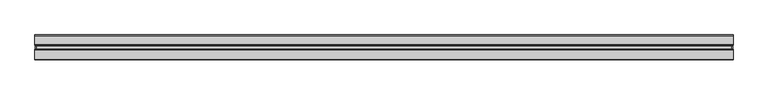
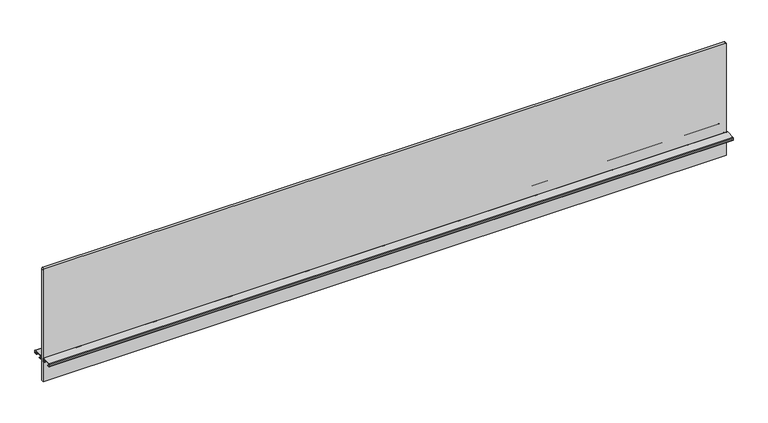
"""IFC4 building model written with IfcOpenShell, lengths in millimetres: furniture geometry."""

import ifcopenshell
import ifcopenshell.guid

model = None  # the IFC model being written
_history = None  # IfcOwnerHistory: only IFC2X3 demands one
_inside = {}  # id of a spatial element -> (the spatial element, [elements in it])
_under = {}  # id of a project, library or spatial element -> (it, [spatial elements below it])
_declared = {}  # id of a project -> (the project, [libraries it declares])
_typed = {}  # id of a type object -> (the type object, [elements of that type])
_made_of = {}  # id of a material, layer set ... -> (it, [elements and type objects made of it])


def new_model(schema):
    """Start an empty IFC model of exactly this schema.

    Asked for "IFC4X3", IfcOpenShell would pick the latest addendum, in which some entities
    have other attributes; the version numbers below select the first issue.
    IFC2X3 requires an IfcOwnerHistory on every rooted entity: one is made here for all.
    """
    global model, _history
    if schema == "IFC4X3":
        model = ifcopenshell.file(schema_version=(4, 3, 0, 0))
    else:
        model = ifcopenshell.file(schema=schema)
    _inside.clear()
    _under.clear()
    _declared.clear()
    _typed.clear()
    _made_of.clear()
    _history = None
    if model.schema == "IFC2X3":
        org = make("IfcOrganization", Name="unknown")
        user = make(
            "IfcPersonAndOrganization",
            ThePerson=make("IfcPerson", FamilyName="unknown"),
            TheOrganization=org,
        )
        app = make(
            "IfcApplication",
            ApplicationDeveloper=org,
            Version="unknown",
            ApplicationFullName="unknown",
            ApplicationIdentifier="unknown",
        )
        _history = make(
            "IfcOwnerHistory",
            OwningUser=user,
            OwningApplication=app,
            ChangeAction="ADDED",
            CreationDate=0,
        )
    return model


def make(cls, **values):
    """One entity of the class cls with the attributes given. An attribute that is None is left unset."""
    return model.create_entity(
        cls, **{name: value for name, value in values.items() if value is not None}
    )


def rooted(cls, **values):
    """An entity with a GlobalId (a new one), such as an element, a storey or a relation."""
    return make(cls, GlobalId=ifcopenshell.guid.new(), OwnerHistory=_history, **values)


def si_unit(unit_type, name, prefix=None):
    """IfcSIUnit, for example si_unit("LENGTHUNIT", "METRE", prefix="MILLI")."""
    return make("IfcSIUnit", UnitType=unit_type, Prefix=prefix, Name=name)


def assignment(units):
    """IfcUnitAssignment: the units of a project."""
    return None if units is None else make("IfcUnitAssignment", Units=units)


def point(xyz):
    """IfcCartesianPoint."""
    return None if xyz is None else make("IfcCartesianPoint", Coordinates=xyz)


def direction(xyz):
    """IfcDirection."""
    return None if xyz is None else make("IfcDirection", DirectionRatios=xyz)


def frame(location, z_axis=None, x_axis=None):
    """IfcAxis2Placement3D, a coordinate frame: its origin and axes. An axis left out is left unset."""
    return make(
        "IfcAxis2Placement3D",
        Location=point(location),
        Axis=direction(z_axis),
        RefDirection=direction(x_axis),
    )


def frame_2d(location, x_axis=None):
    """IfcAxis2Placement2D, a coordinate frame in the plane: its origin and x axis."""
    return make(
        "IfcAxis2Placement2D", Location=point(location), RefDirection=direction(x_axis)
    )


def origin():
    """The frame at (0, 0, 0) with its axes left unset."""
    return frame((0.0, 0.0, 0.0))


def place(relative_to, where):
    """IfcLocalPlacement: puts the frame where relative to a parent placement (None: the world)."""
    return make(
        "IfcLocalPlacement", PlacementRelTo=relative_to, RelativePlacement=where
    )


def context(
    kind, dimensions, precision=None, world=None, true_north=None, identifier=None
):
    """IfcGeometricRepresentationContext, for example the 3D "Model" context."""
    return make(
        "IfcGeometricRepresentationContext",
        ContextIdentifier=identifier,
        ContextType=kind,
        CoordinateSpaceDimension=dimensions,
        Precision=precision,
        WorldCoordinateSystem=world,
        TrueNorth=true_north,
    )


def project(units=None, contexts=None):
    """IfcProject with its units and contexts."""
    return rooted(
        "IfcProject",
        Name="project",
        RepresentationContexts=contexts,
        UnitsInContext=assignment(units),
    )


def spatial(cls, under=None, at=None, **own):
    """A site, building, storey or space (cls), placed at a placement, below another one or the project."""
    s = rooted(cls, ObjectPlacement=at, **own)
    if under is not None:
        _under.setdefault(under.id(), (under, []))[1].append(s)
    return s


def polyline(points):
    """IfcPolyline through the points."""
    return make("IfcPolyline", Points=[point(p) for p in points])


def circle_curve(where, radius):
    """IfcCircle in the frame where."""
    return make("IfcCircle", Position=where, Radius=radius)


def trimmed(basis, trim1, trim2, sense, master):
    """IfcTrimmedCurve: the piece of a basis curve between two trims."""
    return make(
        "IfcTrimmedCurve",
        BasisCurve=basis,
        Trim1=trim1,
        Trim2=trim2,
        SenseAgreement=sense,
        MasterRepresentation=master,
    )


def segment(curve, same_sense, transition):
    """IfcCompositeCurveSegment."""
    return make(
        "IfcCompositeCurveSegment",
        Transition=transition,
        SameSense=same_sense,
        ParentCurve=curve,
    )


def composite_curve(segments, self_intersect=None):
    """IfcCompositeCurve: segments joined end to end."""
    return make("IfcCompositeCurve", Segments=segments, SelfIntersect=self_intersect)


def outline(outer, holes=None, kind="AREA"):
    """IfcArbitraryClosedProfileDef: a profile drawn as a closed curve; with holes, ...WithVoids."""
    if holes is None:
        return make("IfcArbitraryClosedProfileDef", ProfileType=kind, OuterCurve=outer)
    return make(
        "IfcArbitraryProfileDefWithVoids",
        ProfileType=kind,
        OuterCurve=outer,
        InnerCurves=holes,
    )


def extrude(swept, where, along, depth):
    """IfcExtrudedAreaSolid: the profile swept, set in the frame where, extruded along a direction by depth."""
    return make(
        "IfcExtrudedAreaSolid",
        SweptArea=swept,
        Position=where,
        ExtrudedDirection=direction(along),
        Depth=depth,
    )


def shape(context_of_items, identifier, shape_type, items):
    """IfcShapeRepresentation: the items that make up one representation, for example the "Body"."""
    return make(
        "IfcShapeRepresentation",
        ContextOfItems=context_of_items,
        RepresentationIdentifier=identifier,
        RepresentationType=shape_type,
        Items=items,
    )


def source(mapping_origin, context_of_items, identifier, shape_type, items):
    """IfcRepresentationMap: a shape defined once, which mapped items show again and again."""
    return make(
        "IfcRepresentationMap",
        MappingOrigin=mapping_origin,
        MappedRepresentation=shape(context_of_items, identifier, shape_type, items),
    )


def transform(
    local_origin,
    x_axis=None,
    y_axis=None,
    z_axis=None,
    scale=None,
    scale2=None,
    scale3=None,
    uniform=True,
):
    """IfcCartesianTransformationOperator3D, or its non-uniform kind. x_axis, y_axis, z_axis: its Axis1, 2, 3."""
    if uniform:
        return make(
            "IfcCartesianTransformationOperator3D",
            Axis1=direction(x_axis),
            Axis2=direction(y_axis),
            LocalOrigin=point(local_origin),
            Scale=scale,
            Axis3=direction(z_axis),
        )
    return make(
        "IfcCartesianTransformationOperator3DnonUniform",
        Axis1=direction(x_axis),
        Axis2=direction(y_axis),
        LocalOrigin=point(local_origin),
        Scale=scale,
        Axis3=direction(z_axis),
        Scale2=scale2,
        Scale3=scale3,
    )


def mapped(mapping_source, mapping_target):
    """IfcMappedItem: shows the shape of a source again, moved by a transform."""
    return make(
        "IfcMappedItem", MappingSource=mapping_source, MappingTarget=mapping_target
    )


def made_of(thing, what):
    """Note that an element or type object is made of a material, layer set ...; save() writes the relation."""
    if what is not None:
        _made_of.setdefault(what.id(), (what, []))[1].append(thing)
    return thing


def element(
    cls,
    number,
    at=None,
    inside=None,
    cuts=None,
    type_object=None,
    material=None,
    context=None,
    identifier="Body",
    shape_type=None,
    held_by="IfcProductDefinitionShape",
    body=None,
    shapes=None,
    **own,
):
    """One element of the class cls, such as IfcWall. Its Tag is "e" and its number.

    at: its placement. inside: the storey or other place that contains it. cuts: it is an
    opening in that element (IfcRelVoidsElement). A single representation is given by context,
    identifier, shape_type and body (its items); several are given by shapes. held_by: the class
    of the entity that holds the representations. save() writes the other relations.
    """
    e = rooted(cls, Tag="e%d" % number, ObjectPlacement=at, **own)
    if body is not None:
        shapes = [shape(context, identifier, shape_type, body)]
    if shapes is not None:
        e.Representation = make(held_by, Representations=shapes)
    if inside is not None:
        _inside.setdefault(inside.id(), (inside, []))[1].append(e)
    if cuts is not None:
        rooted(
            "IfcRelVoidsElement", RelatingBuildingElement=cuts, RelatedOpeningElement=e
        )
    if type_object is not None:
        _typed.setdefault(type_object.id(), (type_object, []))[1].append(e)
    return made_of(e, material)


def aggregate(whole, parts):
    """IfcRelAggregates: a whole, such as a stair, and the parts it consists of."""
    return rooted("IfcRelAggregates", RelatingObject=whole, RelatedObjects=parts)


def save(model, path):
    """Write the relations noted so far, then the file.

    IfcRelAggregates (storeys below a building ...), IfcRelContainedInSpatialStructure (elements
    in a storey), IfcRelDefinesByType, IfcRelAssociatesMaterial and IfcRelDeclares: one each for
    every whole, place, type object, material and project.
    """
    for whole, parts in _under.values():
        aggregate(whole, parts)
    for where, things in _inside.values():
        rooted(
            "IfcRelContainedInSpatialStructure",
            RelatedElements=things,
            RelatingStructure=where,
        )
    for kind, things in _typed.values():
        rooted("IfcRelDefinesByType", RelatedObjects=things, RelatingType=kind)
    for what, things in _made_of.values():
        rooted("IfcRelAssociatesMaterial", RelatedObjects=things, RelatingMaterial=what)
    for by, libraries in _declared.values():
        rooted("IfcRelDeclares", RelatingContext=by, RelatedDefinitions=libraries)
    model.write(path)


def furniture_b3fc6b35(model_context):
    return source(origin(), model_context, "Body", "SweptSolid", [
        extrude(outline(composite_curve([segment(polyline([(1061.059613, 1061.72), (1061.059613, -1061.72)]), True, "CONTINUOUS"), segment(trimmed(circle_curve(frame_2d((1057.249613, -1061.72)), 3.81), [point((1061.059613, -1061.72))], [point((1057.249613, -1065.53))], False, "CARTESIAN"), True, "CONTINUOUS"), segment(polyline([(1057.249613, -1065.53), (689.965613, -1065.53), (689.965613, 1065.53), (1057.249613, 1065.53)]), True, "CONTINUOUS"), segment(trimmed(circle_curve(frame_2d((1057.249613, 1061.72)), 3.81), [point((1057.249613, 1065.53))], [point((1061.059613, 1061.72))], False, "CARTESIAN"), True, "CONTINUOUS")], self_intersect=False)), frame((0.0, -3.683001, 0.0), z_axis=(0.0, 1.0, 0.0), x_axis=(0.0, 0.0, 1.0)), (0.0, 0.0, 1.0), 7.3660021),
        extrude(outline(composite_curve([segment(trimmed(circle_curve(frame_2d((-8.1724496, 767.2324064)), 2.032), [point((-8.1724496, 769.2644064))], [point((-6.1404496, 767.2324064))], False, "CARTESIAN"), True, "CONTINUOUS"), segment(polyline([(-6.1404496, 767.2324064), (-6.1404496, 761.1364161)]), True, "CONTINUOUS"), segment(trimmed(circle_curve(frame_2d((-8.1724496, 761.1364161)), 2.032), [point((-6.1404496, 761.1364161))], [point((-8.1724496, 759.1044161))], False, "CARTESIAN"), True, "CONTINUOUS"), segment(polyline([(-8.1724496, 759.1044161), (-13.4619988, 759.1044161), (-13.4619988, 760.0187498), (-8.0708496, 760.0187498)]), True, "CONTINUOUS"), segment(trimmed(circle_curve(frame_2d((-8.0708496, 761.0347498)), 1.016), [point((-8.0708496, 760.0187498))], [point((-7.0548496, 761.0347498))], True, "CARTESIAN"), True, "CONTINUOUS"), segment(polyline([(-7.0548496, 761.0347498), (-7.0548496, 767.334)]), True, "CONTINUOUS"), segment(trimmed(circle_curve(frame_2d((-8.0708496, 767.334)), 1.016), [point((-7.0548496, 767.334))], [point((-8.0708496, 768.35))], True, "CARTESIAN"), True, "CONTINUOUS"), segment(polyline([(-8.0708496, 768.35), (-36.1695996, 768.35)]), True, "CONTINUOUS"), segment(trimmed(circle_curve(frame_2d((-36.1695996, 767.334)), 1.016), [point((-36.1695996, 768.35))], [point((-37.1855996, 767.334))], True, "CARTESIAN"), True, "CONTINUOUS"), segment(polyline([(-37.1855996, 767.334), (-37.1855996, 761.0347498)]), True, "CONTINUOUS"), segment(trimmed(circle_curve(frame_2d((-36.1695996, 761.0347498)), 1.016), [point((-37.1855996, 761.0347498))], [point((-36.1695996, 760.0187498))], True, "CARTESIAN"), True, "CONTINUOUS"), segment(polyline([(-36.1695996, 760.0187498), (-30.7784504, 760.0187498), (-30.7784504, 759.1044161), (-36.0679996, 759.1044161)]), True, "CONTINUOUS"), segment(trimmed(circle_curve(frame_2d((-36.0679996, 761.1364161)), 2.032), [point((-36.0679996, 759.1044161))], [point((-38.0999996, 761.1364161))], False, "CARTESIAN"), True, "CONTINUOUS"), segment(polyline([(-38.0999996, 761.1364161), (-38.0999996, 767.2324064)]), True, "CONTINUOUS"), segment(trimmed(circle_curve(frame_2d((-36.0679996, 767.2324064)), 2.032), [point((-38.0999996, 767.2324064))], [point((-36.0679996, 769.2644064))], False, "CARTESIAN"), True, "CONTINUOUS"), segment(polyline([(-36.0679996, 769.2644064), (-8.1724496, 769.2644064)]), True, "CONTINUOUS")], self_intersect=False)), frame((-1066.8, 0.0, 0.0), z_axis=(1.0, 0.0, 0.0), x_axis=(0.0, 1.0, 0.0)), (0.0, 0.0, 1.0), 2133.6),
        extrude(outline(composite_curve([segment(polyline([(8.1724496, 769.2644064), (36.0679996, 769.2644064)]), True, "CONTINUOUS"), segment(trimmed(circle_curve(frame_2d((36.0679996, 767.2324064)), 2.032), [point((36.0679996, 769.2644064))], [point((38.0999996, 767.2324064))], False, "CARTESIAN"), True, "CONTINUOUS"), segment(polyline([(38.0999996, 767.2324064), (38.0999996, 761.1364161)]), True, "CONTINUOUS"), segment(trimmed(circle_curve(frame_2d((36.0679996, 761.1364161)), 2.032), [point((38.0999996, 761.1364161))], [point((36.0679996, 759.1044161))], False, "CARTESIAN"), True, "CONTINUOUS"), segment(polyline([(36.0679996, 759.1044161), (30.7784504, 759.1044161), (30.7784504, 760.0187498), (36.1695996, 760.0187498)]), True, "CONTINUOUS"), segment(trimmed(circle_curve(frame_2d((36.1695996, 761.0347498)), 1.016), [point((36.1695996, 760.0187498))], [point((37.1855996, 761.0347498))], True, "CARTESIAN"), True, "CONTINUOUS"), segment(polyline([(37.1855996, 761.0347498), (37.1855996, 767.334)]), True, "CONTINUOUS"), segment(trimmed(circle_curve(frame_2d((36.1695996, 767.334)), 1.016), [point((37.1855996, 767.334))], [point((36.1695996, 768.35))], True, "CARTESIAN"), True, "CONTINUOUS"), segment(polyline([(36.1695996, 768.35), (8.0708496, 768.35)]), True, "CONTINUOUS"), segment(trimmed(circle_curve(frame_2d((8.0708496, 767.334)), 1.016), [point((8.0708496, 768.35))], [point((7.0548496, 767.334))], True, "CARTESIAN"), True, "CONTINUOUS"), segment(polyline([(7.0548496, 767.334), (7.0548496, 761.0347498)]), True, "CONTINUOUS"), segment(trimmed(circle_curve(frame_2d((8.0708496, 761.0347498)), 1.016), [point((7.0548496, 761.0347498))], [point((8.0708496, 760.0187498))], True, "CARTESIAN"), True, "CONTINUOUS"), segment(polyline([(8.0708496, 760.0187498), (13.4619988, 760.0187498), (13.4619988, 759.1044161), (8.1724496, 759.1044161)]), True, "CONTINUOUS"), segment(trimmed(circle_curve(frame_2d((8.1724496, 761.1364161)), 2.032), [point((8.1724496, 759.1044161))], [point((6.1404496, 761.1364161))], False, "CARTESIAN"), True, "CONTINUOUS"), segment(polyline([(6.1404496, 761.1364161), (6.1404496, 767.2324064)]), True, "CONTINUOUS"), segment(trimmed(circle_curve(frame_2d((8.1724496, 767.2324064)), 2.032), [point((6.1404496, 767.2324064))], [point((8.1724496, 769.2644064))], False, "CARTESIAN"), True, "CONTINUOUS")], self_intersect=False)), frame((-1066.8, 0.0, 0.0), z_axis=(1.0, 0.0, 0.0), x_axis=(0.0, 1.0, 0.0)), (0.0, 0.0, 1.0), 2133.6),
    ])


if __name__ == "__main__":
    model = new_model("IFC4")
    model_context = context("Model", 3, world=origin())
    ifc_project = project(units=[si_unit("LENGTHUNIT", "METRE", prefix="MILLI")], contexts=[model_context])
    site = spatial("IfcSite", under=ifc_project)
    building = spatial("IfcBuilding", under=site)
    placement = place(None, origin())
    furniture_shape = furniture_b3fc6b35(model_context)
    element("IfcFurniture", 1, at=placement, inside=building, context=model_context, shape_type="MappedRepresentation", body=[
        mapped(furniture_shape, transform((0.0, 0.0, 0.0), x_axis=(1.0, 0.0, 0.0), y_axis=(0.0, 1.0, 0.0), z_axis=(0.0, 0.0, 1.0))),
    ])
    save(model, "model.ifc")
